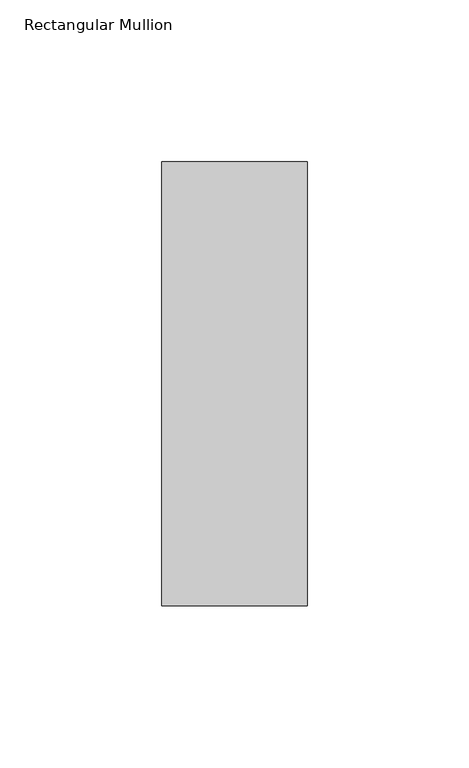
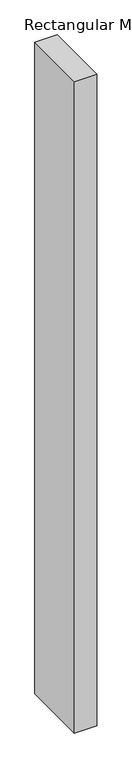
"""IFC4 building model written with IfcOpenShell, lengths in millimetres: member geometry, Rectangular Mullion."""

from ifc_helpers import new_model, si_unit, frame, origin, place, context, project, spatial, polyline, outline, extrude, source, transform, mapped, element, save


def rectangular_mullion_f2ed2421(model_context):
    return source(origin(), model_context, "Body", "SweptSolid", [
        extrude(outline(polyline([(0.0, 84.19375), (0.0, -53.19375), (-45.0, -53.19375), (-45.0, 84.19375), (0.0, 84.19375)])), frame((0.0, 0.0, -1380.7691406), z_axis=(0.0, 0.0, 1.0), x_axis=(1.0, 0.0, 0.0)), (0.0, 0.0, 1.0), 1380.7691406),
    ])


if __name__ == "__main__":
    model = new_model("IFC4")
    model_context = context("Model", 3, world=origin())
    ifc_project = project(units=[si_unit("LENGTHUNIT", "METRE", prefix="MILLI")], contexts=[model_context])
    site = spatial("IfcSite", under=ifc_project)
    building = spatial("IfcBuilding", under=site)
    placement = place(None, origin())
    rectangular_mullion_shape = rectangular_mullion_f2ed2421(model_context)
    element("IfcMember", 1, ObjectType="Rectangular Mullion", at=placement, inside=building, context=model_context, shape_type="MappedRepresentation", body=[
        mapped(rectangular_mullion_shape, transform((0.0, 0.0, 0.0), x_axis=(1.0, 0.0, 0.0), y_axis=(0.0, 1.0, 0.0), z_axis=(0.0, 0.0, 1.0))),
    ])
    save(model, "model.ifc")
